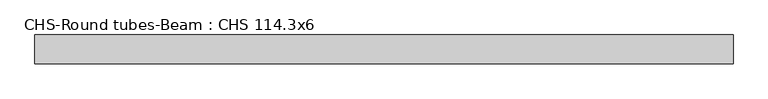
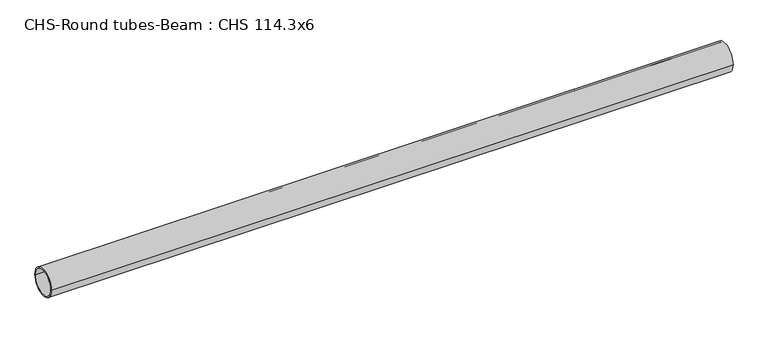
"""IFC4 building model written with IfcOpenShell, lengths in millimetres: beam geometry, CHS-Round tubes-Beam : CHS 114.3x6."""

from ifc_helpers import new_model, si_unit, point, frame, origin, origin_2d, place, context, project, spatial, circle_curve, trimmed, segment, composite_curve, outline, extrude, source, transform, mapped, element, save


def chs_round_tubes_beam_chs_114_3x6_b17590f0(model_context):
    return source(origin(), model_context, "Body", "SweptSolid", [
        extrude(outline(composite_curve([segment(trimmed(circle_curve(origin_2d(), 57.15), [point((57.15, 0.0))], [point((-57.15, 0.0))], False, "CARTESIAN"), True, "CONTINUOUS"), segment(trimmed(circle_curve(origin_2d(), 57.15), [point((-57.15, 0.0))], [point((57.15, 0.0))], False, "CARTESIAN"), True, "CONTINUOUS")], self_intersect=False), holes=[composite_curve([segment(trimmed(circle_curve(origin_2d(), 51.15), [point((51.15, 0.0))], [point((-51.15, 0.0))], True, "CARTESIAN"), True, "CONTINUOUS"), segment(trimmed(circle_curve(origin_2d(), 51.15), [point((-51.15, 0.0))], [point((51.15, 0.0))], True, "CARTESIAN"), True, "CONTINUOUS")], self_intersect=False)]), frame((-1367.4312548, 0.0, 0.0), z_axis=(1.0, 0.0, 0.0), x_axis=(0.0, 1.0, 0.0)), (0.0, 0.0, 1.0), 2754.1438753),
    ])


if __name__ == "__main__":
    model = new_model("IFC4")
    model_context = context("Model", 3, world=origin())
    ifc_project = project(units=[si_unit("LENGTHUNIT", "METRE", prefix="MILLI")], contexts=[model_context])
    site = spatial("IfcSite", under=ifc_project)
    building = spatial("IfcBuilding", under=site)
    placement = place(None, origin())
    chs_round_tubes_beam_chs_114_3x6_shape = chs_round_tubes_beam_chs_114_3x6_b17590f0(model_context)
    element("IfcBeam", 1, ObjectType="CHS-Round tubes-Beam : CHS 114.3x6", at=placement, inside=building, context=model_context, shape_type="MappedRepresentation", body=[
        mapped(chs_round_tubes_beam_chs_114_3x6_shape, transform((0.0, 0.0, 0.0), x_axis=(1.0, 0.0, 0.0), y_axis=(0.0, 1.0, 0.0), z_axis=(0.0, 0.0, 1.0))),
    ])
    save(model, "model.ifc")
